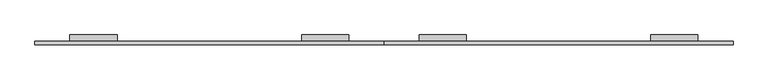
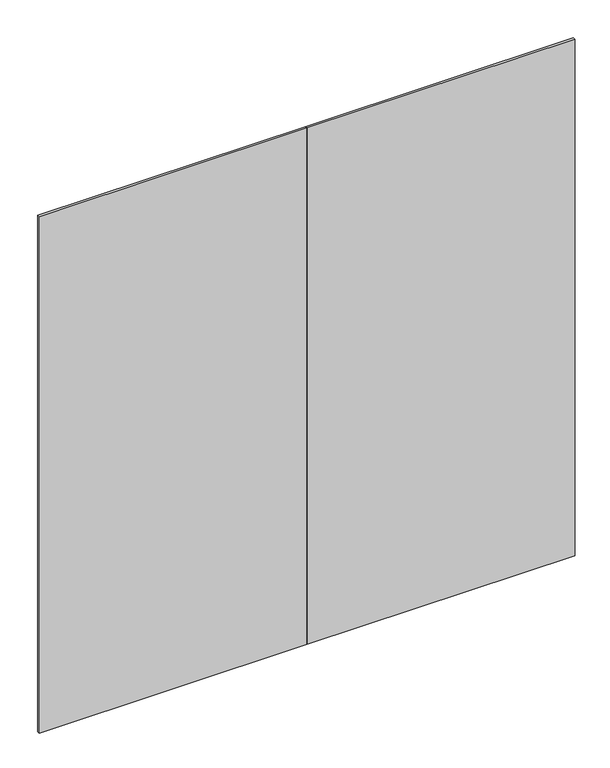
"""IFC4 building model written with IfcOpenShell, lengths in millimetres: furniture geometry."""

from ifc_helpers import new_model, si_unit, frame, origin, place, context, project, spatial, polyline, outline, extrude, source, transform, mapped, element, save


def furniture_70e178cf(model_context):
    return source(origin(), model_context, "Body", "SweptSolid", [
        extrude(outline(polyline([(4.7498, 2116.3245525), (24.8177997, 2116.3245525), (24.8177997, 2115.4125443), (5.6618003, 2115.4125443), (5.6618003, 2083.5305513), (24.8177997, 2083.5305513), (24.8177997, 2079.5014665), (5.6618003, 2079.5014665), (5.6618003, 2013.9995483), (4.7498, 2013.9995483), (4.7498, 2116.3245525)])), frame((815.059988, 0.0, 0.0), z_axis=(1.0, 0.0, 0.0), x_axis=(0.0, 1.0, 0.0)), (0.0, 0.0, 1.0), 144.4200002),
        extrude(outline(polyline([(4.7498, 2116.3245525), (24.8177997, 2116.3245525), (24.8177997, 2115.4125443), (5.6618003, 2115.4125443), (5.6618003, 2083.5305513), (24.8177997, 2083.5305513), (24.8177997, 2079.5014665), (5.6618003, 2079.5014665), (5.6618003, 2013.9995483), (4.7498, 2013.9995483), (4.7498, 2116.3245525)])), frame((1174.1200118, 0.0, 0.0), z_axis=(1.0, 0.0, 0.0), x_axis=(0.0, 1.0, 0.0)), (0.0, 0.0, 1.0), 144.4200002),
        extrude(outline(polyline([(4.7498, 2116.3245525), (24.8177997, 2116.3245525), (24.8177997, 2115.4125443), (5.6618003, 2115.4125443), (5.6618003, 2083.5305513), (24.8177997, 2083.5305513), (24.8177997, 2079.5014665), (5.6618003, 2079.5014665), (5.6618003, 2013.9995483), (4.7498, 2013.9995483), (4.7498, 2116.3245525)])), frame((107.0799829, 0.0, 0.0), z_axis=(1.0, 0.0, 0.0), x_axis=(0.0, 1.0, 0.0)), (0.0, 0.0, 1.0), 144.4200002),
        extrude(outline(polyline([(4.7498, 2116.3245525), (24.8177997, 2116.3245525), (24.8177997, 2115.4125443), (5.6618003, 2115.4125443), (5.6618003, 2083.5305513), (24.8177997, 2083.5305513), (24.8177997, 2079.5014665), (5.6618003, 2079.5014665), (5.6618003, 2013.9995483), (4.7498, 2013.9995483), (4.7498, 2116.3245525)])), frame((1881.859988, 0.0, 0.0), z_axis=(1.0, 0.0, 0.0), x_axis=(0.0, 1.0, 0.0)), (0.0, 0.0, 1.0), 144.4200002),
        extrude(outline(polyline([(2133.6, -4.7752), (1066.8, -4.7752), (1066.8, 4.7498), (2133.6, 4.7498), (2133.6, -4.7752)])), frame((0.0, 0.0, 12.7), z_axis=(0.0, 0.0, 1.0), x_axis=(1.0, 0.0, 0.0)), (0.0, 0.0, 1.0), 2173.6010468),
        extrude(outline(polyline([(1066.8, -4.7752), (0.0, -4.7752), (0.0, 4.7498), (1066.8, 4.7498), (1066.8, -4.7752)])), frame((0.0, 0.0, 12.7), z_axis=(0.0, 0.0, 1.0), x_axis=(1.0, 0.0, 0.0)), (0.0, 0.0, 1.0), 2173.6010468),
    ])


if __name__ == "__main__":
    model = new_model("IFC4")
    model_context = context("Model", 3, world=origin())
    ifc_project = project(units=[si_unit("LENGTHUNIT", "METRE", prefix="MILLI")], contexts=[model_context])
    site = spatial("IfcSite", under=ifc_project)
    building = spatial("IfcBuilding", under=site)
    placement = place(None, origin())
    furniture_shape = furniture_70e178cf(model_context)
    element("IfcFurniture", 1, at=placement, inside=building, context=model_context, shape_type="MappedRepresentation", body=[
        mapped(furniture_shape, transform((0.0, 0.0, 0.0), x_axis=(1.0, 0.0, 0.0), y_axis=(0.0, 1.0, 0.0), z_axis=(0.0, 0.0, 1.0))),
    ])
    save(model, "model.ifc")
